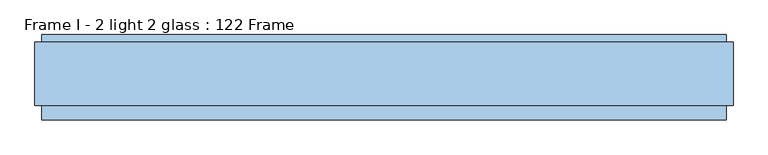
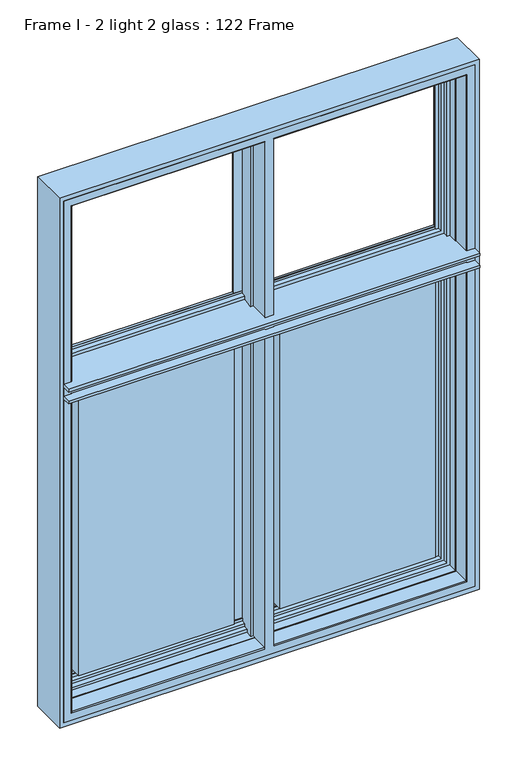
"""IFC4 building model written with IfcOpenShell, lengths in millimetres: window geometry, Frame I - 2 light 2 glass : 122 Frame."""

from ifc_helpers import new_model, si_unit, frame, origin, place, context, project, spatial, polyline, circle_curve, ellipse_curve, outline, extrude, source, transform, mapped, element, save
from ifc_brep_helpers import plane_surface, cylinder_surface, advanced_brep


def frame_i_2_light_2_glass_122_frame_1b23822a(model_context):
    return source(origin(), model_context, "Body", "SolidModel", [
        advanced_brep(
        [(-564.0, 35.0, 836.0), (-564.0, 83.0, 836.0), (-564.0, 83.0, 1789.9000002), (-564.0, 35.0, 1789.9000002), (-564.0, 83.0, 2364.0), (-564.0, 35.0, 2364.0), (-564.0, 35.0, 1834.0999998), (-564.0, 83.0, 1834.0999998), (-564.0, 35.0, 1800.0), (-564.0, 35.0, 1798.0), (-564.0, 83.0, 1798.0), (-564.0, 83.0, 1800.0), (-564.0, 35.0, 1826.0), (-564.0, 35.0, 1824.0), (-564.0, 83.0, 1824.0), (-564.0, 83.0, 1826.0), (-12.0, 35.0, 836.0), (-12.0, 83.0, 836.0), (564.0, 35.0, 836.0), (564.0, 83.0, 836.0), (12.0, 83.0, 836.0), (12.0, 35.0, 836.0), (-12.0, 83.0, 838.0), (-562.0, 83.0, 838.0), (-562.0, 83.0, 1789.9000002), (562.0, 83.0, 838.0), (12.0, 83.0, 838.0), (564.0, 83.0, 1789.9000002), (562.0, 83.0, 1789.9000002), (-12.0, 83.0, 2364.0), (-562.0, 83.0, 1834.0999998), (-562.0, 83.0, 2362.0), (-12.0, 83.0, 2362.0), (564.0, 83.0, 2364.0), (12.0, 83.0, 2364.0), (12.0, 83.0, 2362.0), (562.0, 83.0, 2362.0), (562.0, 83.0, 1834.0999998), (564.0, 83.0, 1834.0999998), (-12.0, 83.0, 1798.0), (-12.0, 83.0, 1800.0), (-12.0, 83.0, 1824.0), (-12.0, 83.0, 1826.0), (564.0, 83.0, 1798.0), (564.0, 83.0, 1800.0), (12.0, 83.0, 1800.0), (12.0, 83.0, 1798.0), (564.0, 83.0, 1824.0), (564.0, 83.0, 1826.0), (12.0, 83.0, 1826.0), (12.0, 83.0, 1824.0), (-567.0, 32.0, 833.0), (-567.0, 32.0, 1789.9000002), (-567.0, 32.0, 2367.0), (-567.0, 32.0, 1834.0999998), (-567.0, 32.0, 1800.0), (-567.0, 32.0, 1798.0), (-567.0, 32.0, 1826.0), (-567.0, 32.0, 1824.0), (-562.0, 111.4, 838.0), (-562.0, 111.4, 1789.9000002), (-562.0, 111.4, 2362.0), (-562.0, 111.4, 1834.0999998), (-12.0, 91.0, 838.0), (-20.2, 91.0, 838.0), (-17.695195, 111.4, 838.0), (562.0, 111.4, 838.0), (17.695195, 111.4, 838.0), (20.2, 91.0, 838.0), (12.0, 91.0, 838.0), (-17.695195, 111.4, 846.0999998), (-553.9000002, 111.4, 846.0999998), (-553.9000002, 111.4, 1789.9000002), (553.9000002, 111.4, 846.0999998), (17.695195, 111.4, 846.0999998), (562.0, 111.4, 1789.9000002), (553.9000002, 111.4, 1789.9000002), (-17.695195, 111.4, 2362.0), (-553.9000002, 111.4, 1834.0999998), (-553.9000002, 111.4, 2353.9000002), (-17.695195, 111.4, 2353.9000002), (562.0, 111.4, 2362.0), (17.695195, 111.4, 2362.0), (17.695195, 111.4, 2353.9000002), (553.9000002, 111.4, 2353.9000002), (553.9000002, 111.4, 1834.0999998), (562.0, 111.4, 1834.0999998), (-553.9000002, 126.0, 846.0999998), (-553.9000002, 126.0, 1789.9000002), (-553.9000002, 126.0, 1834.0999998), (-553.9000002, 126.0, 2353.9000002), (-15.9025404, 126.0, 846.0999998), (553.9000002, 126.0, 846.0999998), (15.9025404, 126.0, 846.0999998), (-15.9025404, 126.0, 853.2798057), (-546.7201943, 126.0, 853.2798057), (-546.7201943, 126.0, 1780.4), (-15.9025404, 126.0, 1780.4), (-15.9025404, 126.0, 1789.9000002), (546.7201943, 126.0, 853.2798057), (15.9025404, 126.0, 853.2798057), (553.9000002, 126.0, 1789.9000002), (15.9025404, 126.0, 1789.9000002), (15.9025404, 126.0, 1780.4), (546.7201943, 126.0, 1780.4), (-15.9025404, 126.0, 2353.9000002), (-15.9025404, 126.0, 1834.0999998), (-15.9025404, 126.0, 1843.6), (-546.7201943, 126.0, 1843.6), (-546.7201943, 126.0, 2346.7201943), (-15.9025404, 126.0, 2346.7201943), (553.9000002, 126.0, 2353.9000002), (15.9025404, 126.0, 2353.9000002), (15.9025404, 126.0, 2346.7201943), (546.7201943, 126.0, 2346.7201943), (546.7201943, 126.0, 1843.6), (15.9025404, 126.0, 1843.6), (15.9025404, 126.0, 1834.0999998), (553.9000002, 126.0, 1834.0999998), (-546.7201943, 140.2372876, 853.2798057), (-546.7201943, 140.2372876, 1780.4), (-546.7201943, 140.2372876, 2346.7201943), (-546.7201943, 140.2372876, 1843.6), (-14.1544213, 140.2372876, 853.2798057), (546.7201943, 140.2372876, 853.2798057), (14.1544213, 140.2372876, 853.2798057), (-14.1544213, 140.2372876, 861.9868914), (-538.0131086, 140.2372876, 861.9868914), (-538.0131086, 140.2372876, 1780.4), (538.0131086, 140.2372876, 861.9868914), (14.1544213, 140.2372876, 861.9868914), (546.7201943, 140.2372876, 1780.4), (538.0131086, 140.2372876, 1780.4), (-14.1544213, 140.2372876, 2346.7201943), (-538.0131086, 140.2372876, 1843.6), (-538.0131086, 140.2372876, 2338.0131086), (-14.1544213, 140.2372876, 2338.0131086), (546.7201943, 140.2372876, 2346.7201943), (14.1544213, 140.2372876, 2346.7201943), (14.1544213, 140.2372876, 2338.0131086), (538.0131086, 140.2372876, 2338.0131086), (538.0131086, 140.2372876, 1843.6), (546.7201943, 140.2372876, 1843.6), (-538.0131086, 143.3877115, 861.9868914), (-538.0131086, 143.3877115, 1774.0131086), (-538.0131086, 141.0, 1774.0131086), (-538.0131086, 141.0, 1780.4), (-538.0131086, 143.3877115, 2338.0131086), (-538.0131086, 141.0, 1843.6), (-538.0131086, 141.0, 1849.9868914), (-538.0131086, 143.3877115, 1849.9868914), (-13.9379874, 142.0, 861.9868914), (-38.4111574, 142.0, 861.9868914), (-37.9868914, 143.3877115, 861.9868914), (538.0131086, 143.3877115, 861.9868914), (37.9868914, 143.3877115, 861.9868914), (38.4111574, 142.0, 861.9868914), (13.9379874, 142.0, 861.9868914), (-541.2576108, 154.0, 858.7423892), (-541.2576108, 154.0, 1777.2576108), (-541.2576108, 154.0, 2341.2576108), (-541.2576108, 154.0, 1846.7423892), (-34.7423892, 154.0, 858.7423892), (541.2576108, 154.0, 858.7423892), (34.7423892, 154.0, 858.7423892), (588.0, 154.0, 2388.0), (588.0, 154.0, 812.0), (-588.0, 154.0, 812.0), (-588.0, 154.0, 2388.0), (-34.7423892, 154.0, 1777.2576108), (541.2576108, 154.0, 1777.2576108), (34.7423892, 154.0, 1777.2576108), (-34.7423892, 154.0, 1846.7423892), (-34.7423892, 154.0, 2341.2576108), (34.7423892, 154.0, 2341.2576108), (34.7423892, 154.0, 1846.7423892), (541.2576108, 154.0, 1846.7423892), (541.2576108, 154.0, 2341.2576108), (-588.0, 7.4, 1826.0), (-588.0, 7.4, 1834.0999998), (-588.0, 32.0, 1834.0999998), (-588.0, 32.0, 2388.0), (-588.0, 86.5, 2388.0), (-588.0, 86.5, 1834.0999998), (-588.0, 90.5, 1834.0999998), (-588.0, 90.5, 2388.0), (-588.0, 90.5, 812.0), (-588.0, 90.5, 1789.9000002), (-588.0, 86.5, 1789.9000002), (-588.0, 86.5, 812.0), (-588.0, 32.0, 812.0), (-588.0, 32.0, 1789.9000002), (-588.0, 7.4, 1789.9000002), (-588.0, 7.4, 1798.0), (-588.0, 32.0, 1798.0), (-588.0, 32.0, 1826.0), (588.0, 90.5, 812.0), (12.0, 90.5, 812.0), (12.0, 86.5, 812.0), (588.0, 86.5, 812.0), (588.0, 32.0, 812.0), (-12.0, 86.5, 812.0), (-12.0, 90.5, 812.0), (-12.0, 90.5, 819.0), (-581.0, 90.5, 819.0), (-581.0, 90.5, 1789.9000002), (581.0, 90.5, 819.0), (12.0, 90.5, 819.0), (588.0, 90.5, 1789.9000002), (581.0, 90.5, 1789.9000002), (-12.0, 90.5, 2388.0), (-581.0, 90.5, 1834.0999998), (-581.0, 90.5, 2381.0), (-12.0, 90.5, 2381.0), (588.0, 90.5, 2388.0), (12.0, 90.5, 2388.0), (12.0, 90.5, 2381.0), (581.0, 90.5, 2381.0), (581.0, 90.5, 1834.0999998), (588.0, 90.5, 1834.0999998), (12.0, 86.5, 819.0), (581.0, 86.5, 819.0), (581.0, 86.5, 1789.9000002), (588.0, 86.5, 1789.9000002), (-581.0, 86.5, 1789.9000002), (-581.0, 86.5, 819.0), (-12.0, 86.5, 819.0), (-12.0, 86.5, 2381.0), (-581.0, 86.5, 2381.0), (-581.0, 86.5, 1834.0999998), (-12.0, 86.5, 2388.0), (581.0, 86.5, 2381.0), (12.0, 86.5, 2381.0), (12.0, 86.5, 2388.0), (588.0, 86.5, 2388.0), (588.0, 86.5, 1834.0999998), (581.0, 86.5, 1834.0999998), (-12.0, 32.0, 833.0), (588.0, 32.0, 1789.9000002), (567.0, 32.0, 1789.9000002), (567.0, 32.0, 833.0), (12.0, 32.0, 833.0), (12.0, 32.0, 1789.9000002), (-12.0, 32.0, 1789.9000002), (-12.0, 32.0, 2367.0), (-12.0, 32.0, 1834.0999998), (12.0, 32.0, 1834.0999998), (12.0, 32.0, 2367.0), (567.0, 32.0, 2367.0), (567.0, 32.0, 1834.0999998), (588.0, 32.0, 1834.0999998), (588.0, 32.0, 2388.0), (-12.0, 32.0, 1800.0), (-12.0, 32.0, 1798.0), (12.0, 32.0, 1798.0), (12.0, 32.0, 1800.0), (567.0, 32.0, 1800.0), (567.0, 32.0, 1798.0), (588.0, 32.0, 1798.0), (588.0, 32.0, 1826.0), (567.0, 32.0, 1826.0), (567.0, 32.0, 1824.0), (12.0, 32.0, 1824.0), (12.0, 32.0, 1826.0), (-12.0, 32.0, 1826.0), (-12.0, 32.0, 1824.0), (-12.0, 91.0, 1789.9000002), (-12.0, 35.0, 2364.0), (-12.0, 91.0, 2362.0), (-12.0, 91.0, 1834.0999998), (564.0, 35.0, 1789.9000002), (564.0, 35.0, 2364.0), (564.0, 35.0, 1834.0999998), (564.0, 35.0, 1798.0), (564.0, 35.0, 1800.0), (564.0, 35.0, 1824.0), (564.0, 35.0, 1826.0), (12.0, 91.0, 1789.9000002), (12.0, 35.0, 2364.0), (12.0, 91.0, 1834.0999998), (12.0, 91.0, 2362.0), (-20.2, 91.0, 1789.9000002), (-20.2, 91.0, 2362.0), (-20.2, 91.0, 1834.0999998), (-14.060772, 141.0, 1780.4), (-14.060772, 141.0, 1774.0131086), (-13.9379874, 142.0, 1774.0131086), (-13.9379874, 142.0, 2338.0131086), (-13.9379874, 142.0, 1849.9868914), (-14.060772, 141.0, 1849.9868914), (-14.060772, 141.0, 1843.6), (13.9379874, 142.0, 1774.0131086), (14.060772, 141.0, 1774.0131086), (14.060772, 141.0, 1780.4), (20.2, 91.0, 1789.9000002), (20.2, 91.0, 2362.0), (20.2, 91.0, 1834.0999998), (14.060772, 141.0, 1843.6), (14.060772, 141.0, 1849.9868914), (13.9379874, 142.0, 1849.9868914), (13.9379874, 142.0, 2338.0131086), (-38.4111574, 142.0, 1774.0131086), (-38.4111574, 142.0, 2338.0131086), (-38.4111574, 142.0, 1849.9868914), (-37.9868914, 143.3877115, 1774.0131086), (-37.9868914, 143.3877115, 2338.0131086), (-37.9868914, 143.3877115, 1849.9868914), (538.0131086, 141.0, 1780.4), (538.0131086, 141.0, 1774.0131086), (538.0131086, 143.3877115, 1774.0131086), (538.0131086, 143.3877115, 2338.0131086), (538.0131086, 143.3877115, 1849.9868914), (538.0131086, 141.0, 1849.9868914), (538.0131086, 141.0, 1843.6), (37.9868914, 143.3877115, 1774.0131086), (38.4111574, 142.0, 1774.0131086), (37.9868914, 143.3877115, 2338.0131086), (38.4111574, 142.0, 2338.0131086), (38.4111574, 142.0, 1849.9868914), (37.9868914, 143.3877115, 1849.9868914), (588.0, 7.4, 1798.0), (588.0, 7.4, 1789.9000002), (588.0, 7.4, 1834.0999998), (588.0, 7.4, 1826.0)],
        [
            (0, 1),
            (1, 2),
            (2, 3),
            (3, 0),
            (4, 5),
            (5, 6),
            (6, 7),
            (7, 4),
            (8, 9),
            (9, 10),
            (10, 11),
            (11, 8),
            (12, 13),
            (13, 14),
            (14, 15),
            (15, 12),
            (0, 16),
            (16, 17),
            (17, 1),
            (18, 19),
            (19, 20),
            (20, 21),
            (21, 18),
            (22, 23),
            (23, 24),
            (24, 2),
            (17, 22),
            (25, 26),
            (26, 20),
            (19, 27),
            (27, 28),
            (28, 25),
            (29, 4),
            (7, 30),
            (30, 31),
            (31, 32),
            (32, 29),
            (33, 34),
            (34, 35),
            (35, 36),
            (36, 37),
            (37, 38),
            (38, 33),
            (10, 39),
            (39, 40),
            (40, 11),
            (14, 41),
            (41, 42),
            (42, 15),
            (43, 44),
            (44, 45),
            (45, 46),
            (46, 43),
            (47, 48),
            (48, 49),
            (49, 50),
            (50, 47),
            (51, 0, ellipse_curve(frame((-567.0, 35.0, 833.0), z_axis=(-0.7071067811865475, 0.0, 0.7071067811865475), x_axis=(0.7071067811865474, 0.0, 0.7071067811865476)), 4.2426407, 3.0)),
            (3, 52, circle_curve(frame((-567.0, 35.0, 1789.9000002), z_axis=(0.0, 0.0, -1.0), x_axis=(0.0, 1.0, 0.0)), 3.0)),
            (52, 51),
            (5, 53, ellipse_curve(frame((-567.0, 35.0, 2367.0), z_axis=(-0.7071067811865475, 0.0, -0.7071067811865475), x_axis=(-0.7071067811865474, 0.0, 0.7071067811865476)), 4.2426407, 3.0)),
            (53, 54),
            (54, 6, circle_curve(frame((-567.0, 35.0, 1834.0999998), z_axis=(0.0, 0.0, 1.0), x_axis=(0.0, 1.0, 0.0)), 3.0)),
            (8, 55, circle_curve(frame((-567.0, 35.0, 1800.0), z_axis=(0.0, 0.0, -1.0), x_axis=(0.0, 1.0, 0.0)), 3.0)),
            (55, 56),
            (56, 9, circle_curve(frame((-567.0, 35.0, 1798.0), z_axis=(0.0, 0.0, 1.0), x_axis=(0.0, 1.0, 0.0)), 3.0)),
            (12, 57, circle_curve(frame((-567.0, 35.0, 1826.0), z_axis=(0.0, 0.0, -1.0), x_axis=(0.0, 1.0, 0.0)), 3.0)),
            (57, 58),
            (58, 13, circle_curve(frame((-567.0, 35.0, 1824.0), z_axis=(0.0, 0.0, 1.0), x_axis=(0.0, 1.0, 0.0)), 3.0)),
            (23, 59),
            (59, 60),
            (60, 24),
            (61, 31),
            (30, 62),
            (62, 61),
            (22, 63),
            (63, 64),
            (64, 65),
            (65, 59),
            (25, 66),
            (66, 67),
            (67, 68),
            (68, 69),
            (69, 26),
            (70, 71),
            (71, 72),
            (72, 60),
            (65, 70),
            (73, 74),
            (74, 67),
            (66, 75),
            (75, 76),
            (76, 73),
            (77, 61),
            (62, 78),
            (78, 79),
            (79, 80),
            (80, 77),
            (81, 82),
            (82, 83),
            (83, 84),
            (84, 85),
            (85, 86),
            (86, 81),
            (71, 87),
            (87, 88),
            (88, 72),
            (89, 90),
            (90, 79),
            (78, 89),
            (70, 91),
            (91, 87),
            (73, 92),
            (92, 93),
            (93, 74),
            (94, 95),
            (95, 96),
            (96, 97),
            (97, 98),
            (98, 88),
            (91, 94),
            (99, 100),
            (100, 93),
            (92, 101),
            (101, 102),
            (102, 103),
            (103, 104),
            (104, 99),
            (105, 90),
            (89, 106),
            (106, 107),
            (107, 108),
            (108, 109),
            (109, 110),
            (110, 105),
            (111, 112),
            (112, 113),
            (113, 114),
            (114, 115),
            (115, 116),
            (116, 117),
            (117, 118),
            (118, 111),
            (95, 119),
            (119, 120),
            (120, 96),
            (121, 109),
            (108, 122),
            (122, 121),
            (94, 123),
            (123, 119),
            (99, 124),
            (124, 125),
            (125, 100),
            (126, 127),
            (127, 128),
            (128, 120),
            (123, 126),
            (129, 130),
            (130, 125),
            (124, 131),
            (131, 132),
            (132, 129),
            (133, 121),
            (122, 134),
            (134, 135),
            (135, 136),
            (136, 133),
            (137, 138),
            (138, 139),
            (139, 140),
            (140, 141),
            (141, 142),
            (142, 137),
            (127, 143),
            (143, 144),
            (144, 145),
            (145, 146),
            (146, 128),
            (147, 135),
            (134, 148),
            (148, 149),
            (149, 150),
            (150, 147),
            (126, 151),
            (151, 152),
            (152, 153),
            (153, 143),
            (129, 154),
            (154, 155),
            (155, 156),
            (156, 157),
            (157, 130),
            (143, 158),
            (158, 159),
            (159, 144),
            (160, 147),
            (150, 161),
            (161, 160),
            (153, 162),
            (162, 158),
            (154, 163),
            (163, 164),
            (164, 155),
            (165, 166),
            (166, 167),
            (167, 168),
            (168, 165),
            (162, 169),
            (169, 159),
            (163, 170),
            (170, 171),
            (171, 164),
            (161, 172),
            (172, 173),
            (173, 160),
            (174, 175),
            (175, 176),
            (176, 177),
            (177, 174),
            (178, 179),
            (179, 180),
            (180, 181),
            (181, 182),
            (182, 183),
            (183, 184),
            (184, 185),
            (185, 168),
            (167, 186),
            (186, 187),
            (187, 188),
            (188, 189),
            (189, 190),
            (190, 191),
            (191, 192),
            (192, 193),
            (193, 194),
            (194, 195),
            (195, 178),
            (166, 196),
            (196, 197),
            (197, 198),
            (198, 199),
            (199, 200),
            (200, 190),
            (189, 201),
            (201, 202),
            (202, 186),
            (203, 204),
            (204, 205),
            (205, 187),
            (202, 203),
            (206, 207),
            (207, 197),
            (196, 208),
            (208, 209),
            (209, 206),
            (210, 185),
            (184, 211),
            (211, 212),
            (212, 213),
            (213, 210),
            (214, 215),
            (215, 216),
            (216, 217),
            (217, 218),
            (218, 219),
            (219, 214),
            (198, 220),
            (220, 221),
            (221, 222),
            (222, 223),
            (223, 199),
            (188, 224),
            (224, 225),
            (225, 226),
            (226, 201),
            (227, 228),
            (228, 229),
            (229, 183),
            (182, 230),
            (230, 227),
            (231, 232),
            (232, 233),
            (233, 234),
            (234, 235),
            (235, 236),
            (236, 231),
            (237, 51),
            (52, 191),
            (200, 238),
            (238, 239),
            (239, 240),
            (240, 241),
            (241, 242),
            (242, 243),
            (243, 237),
            (53, 244),
            (244, 245),
            (245, 246),
            (246, 247),
            (247, 248),
            (248, 249),
            (249, 250),
            (250, 251),
            (251, 181),
            (180, 54),
            (55, 252),
            (252, 253),
            (253, 254),
            (254, 255),
            (255, 256),
            (256, 257),
            (257, 258),
            (258, 259),
            (259, 260),
            (260, 261),
            (261, 262),
            (262, 263),
            (263, 264),
            (264, 265),
            (265, 58),
            (57, 195),
            (194, 56),
            (237, 16, circle_curve(frame((-12.0, 35.0, 833.0), z_axis=(-1.0, 0.0, 0.0), x_axis=(0.0, 1.0, 0.0)), 3.0)),
            (240, 18, ellipse_curve(frame((567.0, 35.0, 833.0), z_axis=(-0.7071067811865475, 0.0, -0.7071067811865475), x_axis=(-0.7071067811865476, 0.0, 0.7071067811865474)), 4.2426407, 3.0)),
            (21, 241, circle_curve(frame((12.0, 35.0, 833.0), z_axis=(1.0, 0.0, 0.0), x_axis=(0.0, 1.0, 0.0)), 3.0)),
            (243, 266),
            (266, 63),
            (226, 203),
            (267, 29),
            (32, 268),
            (268, 269),
            (269, 245),
            (244, 267, circle_curve(frame((-12.0, 35.0, 2367.0), z_axis=(1.0, 0.0, 0.0), x_axis=(0.0, 1.0, 0.0)), 3.0)),
            (230, 210),
            (213, 227),
            (252, 40),
            (39, 253),
            (264, 42),
            (41, 265),
            (18, 270),
            (270, 27),
            (271, 33),
            (38, 272),
            (272, 271),
            (273, 274),
            (274, 44),
            (43, 273),
            (275, 276),
            (276, 48),
            (47, 275),
            (69, 277),
            (277, 242),
            (207, 220),
            (34, 278),
            (278, 247, circle_curve(frame((12.0, 35.0, 2367.0), z_axis=(-1.0, 0.0, 0.0), x_axis=(0.0, 1.0, 0.0)), 3.0)),
            (246, 279),
            (279, 280),
            (280, 35),
            (215, 233),
            (232, 216),
            (254, 46),
            (45, 255),
            (262, 50),
            (49, 263),
            (266, 281),
            (281, 64),
            (268, 282),
            (282, 283),
            (283, 269),
            (281, 98),
            (97, 284),
            (284, 285),
            (285, 286),
            (286, 151),
            (282, 77),
            (80, 105),
            (110, 133),
            (136, 287),
            (287, 288),
            (288, 289),
            (289, 290),
            (290, 107),
            (106, 283),
            (28, 75),
            (36, 81),
            (86, 37),
            (157, 291),
            (291, 292),
            (292, 293),
            (293, 103),
            (102, 294),
            (294, 68),
            (82, 295),
            (295, 296),
            (296, 117),
            (116, 297),
            (297, 298),
            (298, 299),
            (299, 300),
            (300, 139),
            (138, 113),
            (112, 83),
            (294, 277),
            (295, 280),
            (279, 296),
            (76, 101),
            (84, 111),
            (118, 85),
            (104, 131),
            (114, 137),
            (142, 115),
            (286, 301),
            (301, 152),
            (287, 302),
            (302, 303),
            (303, 288),
            (301, 304),
            (304, 169),
            (302, 305),
            (305, 173),
            (172, 306),
            (306, 303),
            (132, 307),
            (307, 308),
            (308, 309),
            (309, 154),
            (140, 310),
            (310, 311),
            (311, 312),
            (312, 313),
            (313, 141),
            (171, 314),
            (314, 315),
            (315, 156),
            (316, 317),
            (317, 318),
            (318, 319),
            (319, 175),
            (174, 316),
            (315, 291),
            (317, 300),
            (299, 318),
            (309, 170),
            (310, 177),
            (176, 311),
            (320, 321),
            (321, 238),
            (223, 208),
            (165, 214),
            (219, 235),
            (234, 251),
            (250, 322),
            (322, 323),
            (323, 259),
            (258, 320),
            (239, 270, circle_curve(frame((567.0, 35.0, 1789.9000002), z_axis=(0.0, 0.0, -1.0), x_axis=(0.0, 1.0, 0.0)), 3.0)),
            (248, 271, ellipse_curve(frame((567.0, 35.0, 2367.0), z_axis=(0.7071067811865475, 0.0, -0.7071067811865475), x_axis=(-0.7071067811865474, 0.0, -0.7071067811865476)), 4.2426407, 3.0)),
            (272, 249, circle_curve(frame((567.0, 35.0, 1834.0999998), z_axis=(0.0, 0.0, 1.0), x_axis=(0.0, 1.0, 0.0)), 3.0)),
            (273, 257, circle_curve(frame((567.0, 35.0, 1798.0), z_axis=(0.0, 0.0, 1.0), x_axis=(0.0, 1.0, 0.0)), 3.0)),
            (256, 274, circle_curve(frame((567.0, 35.0, 1800.0), z_axis=(0.0, 0.0, -1.0), x_axis=(0.0, 1.0, 0.0)), 3.0)),
            (275, 261, circle_curve(frame((567.0, 35.0, 1824.0), z_axis=(0.0, 0.0, 1.0), x_axis=(0.0, 1.0, 0.0)), 3.0)),
            (260, 276, circle_curve(frame((567.0, 35.0, 1826.0), z_axis=(0.0, 0.0, -1.0), x_axis=(0.0, 1.0, 0.0)), 3.0)),
            (204, 225),
            (224, 205),
            (228, 212),
            (211, 229),
            (206, 221),
            (209, 222),
            (217, 231),
            (236, 218),
            (267, 5),
            (271, 278),
            (147, 305),
            (316, 310),
            (304, 144),
            (309, 314),
            (308, 292),
            (285, 145),
            (284, 146),
            (307, 293),
            (321, 192),
            (193, 320),
            (323, 178),
            (179, 322),
            (290, 148),
            (313, 297),
            (289, 149),
            (312, 298),
            (306, 150),
            (311, 319),
        ],
        [
            plane_surface(frame((-564.0, 35.0, 2364.0), z_axis=(1.0, 0.0, 0.0), x_axis=(0.0, 0.0, -1.0))),
            plane_surface(frame((-564.0, 35.0, 836.0), z_axis=(0.0, 0.0, 1.0), x_axis=(1.0, 0.0, 0.0))),
            plane_surface(frame((564.0, 83.0, 2364.0), z_axis=(0.0, -1.0, 0.0), x_axis=(-1.0, 0.0, 0.0))),
            cylinder_surface(frame((-567.0, 35.0, 2388.0), z_axis=(0.0, 0.0, 1.0), x_axis=(0.0, 1.0, 0.0)), 3.0),
            plane_surface(frame((-562.0, 83.0, 2362.0), z_axis=(1.0, 0.0, 0.0), x_axis=(0.0, 0.0, -1.0))),
            plane_surface(frame((-562.0, 83.0, 838.0), z_axis=(0.0, 0.0, 1.0), x_axis=(1.0, 0.0, 0.0))),
            plane_surface(frame((562.0, 111.4, 2362.0), z_axis=(0.0, -1.0, 0.0), x_axis=(-1.0, 0.0, 0.0))),
            plane_surface(frame((-553.9000002, 111.4, 2353.9000002), z_axis=(1.0, 0.0, 0.0), x_axis=(0.0, 0.0, -1.0))),
            plane_surface(frame((-553.9000002, 111.4, 846.0999998), z_axis=(0.0, 0.0, 1.0), x_axis=(1.0, 0.0, 0.0))),
            plane_surface(frame((553.9000002, 126.0, 2353.9000002), z_axis=(0.0, -1.0, 0.0), x_axis=(-1.0, 0.0, 0.0))),
            plane_surface(frame((-546.7201943, 126.0, 2346.7201943), z_axis=(1.0, 0.0, 0.0), x_axis=(0.0, 0.0, -1.0))),
            plane_surface(frame((-546.7201943, 126.0, 853.2798057), z_axis=(0.0, 0.0, 1.0), x_axis=(1.0, 0.0, 0.0))),
            plane_surface(frame((546.7201943, 140.2372876, 2346.7201943), z_axis=(0.0, -1.0, 0.0), x_axis=(-1.0, 0.0, 0.0))),
            plane_surface(frame((-538.0131086, 140.2372876, 2338.0131086), z_axis=(1.0, 0.0, 0.0), x_axis=(0.0, 0.0, -1.0))),
            plane_surface(frame((-538.0131086, 140.2372876, 861.9868914), z_axis=(0.0, 0.0, 1.0), x_axis=(1.0, 0.0, 0.0))),
            plane_surface(frame((-538.0131086, 143.3877115, 2338.0131086), z_axis=(0.9563047559629358, 0.29237170472306273, 0.0), x_axis=(0.0, 0.0, -1.0))),
            plane_surface(frame((-538.0131086, 143.3877115, 861.9868914), z_axis=(0.0, 0.29237170472306273, 0.9563047559629358), x_axis=(1.0, 0.0, 0.0))),
            plane_surface(frame((541.2576108, 154.0, 2341.2576108), z_axis=(0.0, 1.0, 0.0), x_axis=(-1.0, 0.0, 0.0))),
            plane_surface(frame((-588.0, 154.0, 2388.0), z_axis=(-1.0, 0.0, 0.0), x_axis=(0.0, 0.0, -1.0))),
            plane_surface(frame((-588.0, 154.0, 812.0), z_axis=(0.0, 0.0, -1.0), x_axis=(1.0, 0.0, 0.0))),
            plane_surface(frame((588.0, 90.5, 2388.0), z_axis=(0.0, -1.0, 0.0), x_axis=(-1.0, 0.0, 0.0))),
            plane_surface(frame((581.0, 86.5, 2381.0), z_axis=(0.0, 1.0, 0.0), x_axis=(-1.0, 0.0, 0.0))),
            plane_surface(frame((588.0, 32.0, 2388.0), z_axis=(0.0, -1.0, 0.0), x_axis=(-1.0, 0.0, 0.0))),
            cylinder_surface(frame((-588.0, 35.0, 833.0), z_axis=(-1.0, 0.0, 0.0), x_axis=(0.0, 1.0, 0.0)), 3.0),
            plane_surface(frame((-12.0, 91.0, 2388.0), z_axis=(-1.0, 0.0, 0.0), x_axis=(0.0, 0.0, -1.0))),
            plane_surface(frame((564.0, 35.0, 836.0), z_axis=(-1.0, 0.0, 0.0), x_axis=(0.0, 0.0, 1.0))),
            plane_surface(frame((12.0, 32.0, 2388.0), z_axis=(1.0, 0.0, 0.0), x_axis=(0.0, 0.0, -1.0))),
            plane_surface(frame((-20.2, 91.0, 2388.0), z_axis=(0.0, -1.0, 0.0), x_axis=(0.0, 0.0, -1.0))),
            plane_surface(frame((-13.9379874, 142.0, 2388.0), z_axis=(-0.9925461516413188, 0.12186934340517401, 0.0), x_axis=(0.0, 0.0, -1.0))),
            plane_surface(frame((562.0, 83.0, 838.0), z_axis=(-1.0, 0.0, 0.0), x_axis=(0.0, 0.0, 1.0))),
            plane_surface(frame((20.2, 91.0, 2388.0), z_axis=(0.9925461516413152, 0.12186934340520379, 0.0), x_axis=(0.0, 0.0, -1.0))),
            plane_surface(frame((12.0, 91.0, 2388.0), z_axis=(0.0, -1.0, 0.0), x_axis=(0.0, 0.0, -1.0))),
            plane_surface(frame((553.9000002, 111.4, 846.0999998), z_axis=(-1.0, 0.0, 0.0), x_axis=(0.0, 0.0, 1.0))),
            plane_surface(frame((546.7201943, 126.0, 853.2798057), z_axis=(-1.0, 0.0, 0.0), x_axis=(0.0, 0.0, 1.0))),
            plane_surface(frame((-38.4111574, 142.0, 2388.0), z_axis=(0.0, -1.0, 0.0), x_axis=(0.0, 0.0, -1.0))),
            plane_surface(frame((-34.7423892, 154.0, 2388.0), z_axis=(-0.9563047559630359, 0.2923717047227355, 0.0), x_axis=(0.0, 0.0, -1.0))),
            plane_surface(frame((538.0131086, 140.2372876, 861.9868914), z_axis=(-1.0, 0.0, 0.0), x_axis=(0.0, 0.0, 1.0))),
            plane_surface(frame((38.4111574, 142.0, 2388.0), z_axis=(0.956304755963034, 0.2923717047227417, 0.0), x_axis=(0.0, 0.0, -1.0))),
            plane_surface(frame((13.9379874, 142.0, 2388.0), z_axis=(0.0, -1.0, 0.0), x_axis=(0.0, 0.0, -1.0))),
            plane_surface(frame((538.0131086, 143.3877115, 861.9868914), z_axis=(-0.9563047559629358, 0.29237170472306273, 0.0), x_axis=(0.0, 0.0, 1.0))),
            plane_surface(frame((588.0, 154.0, 812.0), z_axis=(1.0, 0.0, 0.0), x_axis=(0.0, 0.0, 1.0))),
            cylinder_surface(frame((567.0, 35.0, 812.0), z_axis=(0.0, 0.0, -1.0), x_axis=(0.0, 1.0, 0.0)), 3.0),
            plane_surface(frame((-581.0, 90.5, 2381.0), z_axis=(-1.0, 0.0, 0.0), x_axis=(0.0, 0.0, -1.0))),
            plane_surface(frame((-581.0, 90.5, 819.0), z_axis=(0.0, 0.0, -1.0), x_axis=(1.0, 0.0, 0.0))),
            plane_surface(frame((581.0, 90.5, 819.0), z_axis=(1.0, 0.0, 0.0), x_axis=(0.0, 0.0, 1.0))),
            plane_surface(frame((564.0, 35.0, 2364.0), z_axis=(0.0, 0.0, -1.0), x_axis=(-1.0, 0.0, 0.0))),
            plane_surface(frame((562.0, 83.0, 2362.0), z_axis=(0.0, 0.0, -1.0), x_axis=(-1.0, 0.0, 0.0))),
            plane_surface(frame((553.9000002, 111.4, 2353.9000002), z_axis=(0.0, 0.0, -1.0), x_axis=(-1.0, 0.0, 0.0))),
            plane_surface(frame((546.7201943, 126.0, 2346.7201943), z_axis=(0.0, 0.0, -1.0), x_axis=(-1.0, 0.0, 0.0))),
            plane_surface(frame((538.0131086, 140.2372876, 2338.0131086), z_axis=(0.0, 0.0, -1.0), x_axis=(-1.0, 0.0, 0.0))),
            plane_surface(frame((538.0131086, 143.3877115, 2338.0131086), z_axis=(0.0, 0.29237170472306273, -0.9563047559629358), x_axis=(-1.0, 0.0, 0.0))),
            plane_surface(frame((588.0, 154.0, 2388.0), z_axis=(0.0, 0.0, 1.0), x_axis=(-1.0, 0.0, 0.0))),
            cylinder_surface(frame((588.0, 35.0, 2367.0), z_axis=(1.0, 0.0, 0.0), x_axis=(0.0, 1.0, 0.0)), 3.0),
            plane_surface(frame((581.0, 90.5, 2381.0), z_axis=(0.0, 0.0, 1.0), x_axis=(-1.0, 0.0, 0.0))),
            plane_surface(frame((-588.0, 154.0, 1777.2576108), z_axis=(0.0, 0.29237170472164115, -0.9563047559633705), x_axis=(1.0, 0.0, 0.0))),
            plane_surface(frame((-588.0, 143.3877115, 1774.0131086), z_axis=(0.0, 0.0, -1.0), x_axis=(1.0, 0.0, 0.0))),
            plane_surface(frame((-588.0, 141.0, 1774.0131086), z_axis=(0.0, -1.0, 0.0), x_axis=(1.0, 0.0, 0.0))),
            plane_surface(frame((-588.0, 141.0, 1780.4), z_axis=(0.0, 0.0, -1.0), x_axis=(1.0, 0.0, 0.0))),
            plane_surface(frame((-588.0, 126.0, 1789.9000002), z_axis=(0.0, 0.0, -1.0), x_axis=(1.0, 0.0, 0.0))),
            plane_surface(frame((-588.0, 7.4, 1798.0), z_axis=(0.0, 0.0, 1.0), x_axis=(1.0, 0.0, 0.0))),
            plane_surface(frame((-588.0, 83.0, 1800.0), z_axis=(0.0, 0.0, -1.0), x_axis=(1.0, 0.0, 0.0))),
            plane_surface(frame((-588.0, 32.0, 1824.0), z_axis=(0.0, 0.0, 1.0), x_axis=(1.0, 0.0, 0.0))),
            plane_surface(frame((-588.0, 83.0, 1826.0), z_axis=(0.0, 0.0, -1.0), x_axis=(1.0, 0.0, 0.0))),
            plane_surface(frame((-588.0, 7.4, 1834.0999998), z_axis=(0.0, 0.0, 1.0), x_axis=(1.0, 0.0, 0.0))),
            plane_surface(frame((-588.0, 126.0, 1843.6), z_axis=(0.0, 0.0, 1.0), x_axis=(1.0, 0.0, 0.0))),
            plane_surface(frame((-588.0, 141.0, 1843.6), z_axis=(0.0, -1.0, 0.0), x_axis=(1.0, 0.0, 0.0))),
            plane_surface(frame((-588.0, 141.0, 1849.9868914), z_axis=(0.0, 0.0, 1.0), x_axis=(1.0, 0.0, 0.0))),
            plane_surface(frame((-588.0, 143.3877115, 1849.9868914), z_axis=(0.0, 0.292371704721663, 0.9563047559633638), x_axis=(1.0, 0.0, 0.0))),
            plane_surface(frame((-588.0, 7.4, 1789.9000002), z_axis=(0.0, -1.0, 0.0), x_axis=(1.0, 0.0, 0.0))),
            plane_surface(frame((-588.0, 7.4, 1826.0), z_axis=(0.0, -1.0, 0.0), x_axis=(1.0, 0.0, 0.0))),
        ],
        [
            (0, [[1, 2, 3, 4]]),
            (0, [[5, 6, 7, 8]]),
            (0, [[9, 10, 11, 12]]),
            (0, [[13, 14, 15, 16]]),
            (1, [[-1, 17, 18, 19]]),
            (1, [[20, 21, 22, 23]]),
            (2, [[24, 25, 26, -2, -19, 27]]),
            (2, [[28, 29, -21, 30, 31, 32]]),
            (2, [[33, -8, 34, 35, 36, 37]]),
            (2, [[38, 39, 40, 41, 42, 43]]),
            (2, [[-11, 44, 45, 46]]),
            (2, [[-15, 47, 48, 49]]),
            (2, [[50, 51, 52, 53]]),
            (2, [[54, 55, 56, 57]]),
            (3, [[58, -4, 59, 60]]),
            (3, [[61, 62, 63, -6]]),
            (3, [[-9, 64, 65, 66]]),
            (3, [[-13, 67, 68, 69]]),
            (4, [[70, 71, 72, -25]]),
            (4, [[73, -35, 74, 75]]),
            (5, [[-70, -24, 76, 77, 78, 79]]),
            (5, [[80, 81, 82, 83, 84, -28]]),
            (6, [[85, 86, 87, -71, -79, 88]]),
            (6, [[89, 90, -81, 91, 92, 93]]),
            (6, [[94, -75, 95, 96, 97, 98]]),
            (6, [[99, 100, 101, 102, 103, 104]]),
            (7, [[105, 106, 107, -86]]),
            (7, [[108, 109, -96, 110]]),
            (8, [[-105, -85, 111, 112]]),
            (8, [[113, 114, 115, -89]]),
            (9, [[116, 117, 118, 119, 120, -106, -112, 121]]),
            (9, [[122, 123, -114, 124, 125, 126, 127, 128]]),
            (9, [[129, -108, 130, 131, 132, 133, 134, 135]]),
            (9, [[136, 137, 138, 139, 140, 141, 142, 143]]),
            (10, [[144, 145, 146, -117]]),
            (10, [[147, -133, 148, 149]]),
            (11, [[-144, -116, 150, 151]]),
            (11, [[152, 153, 154, -122]]),
            (12, [[155, 156, 157, -145, -151, 158]]),
            (12, [[159, 160, -153, 161, 162, 163]]),
            (12, [[164, -149, 165, 166, 167, 168]]),
            (12, [[169, 170, 171, 172, 173, 174]]),
            (13, [[175, 176, 177, 178, 179, -156]]),
            (13, [[180, -166, 181, 182, 183, 184]]),
            (14, [[-175, -155, 185, 186, 187, 188]]),
            (14, [[189, 190, 191, 192, 193, -159]]),
            (15, [[194, 195, 196, -176]]),
            (15, [[197, -184, 198, 199]]),
            (16, [[-194, -188, 200, 201]]),
            (16, [[202, 203, 204, -190]]),
            (17, [[205, 206, 207, 208], [-201, 209, 210, -195], [-203, 211, 212, 213], [-199, 214, 215, 216], [217, 218, 219, 220]]),
            (18, [[221, 222, 223, 224, 225, 226, 227, 228, -207, 229, 230, 231, 232, 233, 234, 235, 236, 237, 238, 239]]),
            (19, [[-229, -206, 240, 241, 242, 243, 244, 245, -233, 246, 247, 248]]),
            (20, [[249, 250, 251, -230, -248, 252]]),
            (20, [[253, 254, -241, 255, 256, 257]]),
            (20, [[258, -227, 259, 260, 261, 262]]),
            (20, [[263, 264, 265, 266, 267, 268]]),
            (21, [[-243, 269, 270, 271, 272, 273]]),
            (21, [[-246, -232, 274, 275, 276, 277]]),
            (21, [[278, 279, 280, -225, 281, 282]]),
            (21, [[283, 284, 285, 286, 287, 288]]),
            (22, [[289, -60, 290, -234, -245, 291, 292, 293, 294, 295, 296, 297]]),
            (22, [[298, 299, 300, 301, 302, 303, 304, 305, 306, -223, 307, -62]]),
            (22, [[-65, 308, 309, 310, 311, 312, 313, 314, 315, 316, 317, 318, 319, 320, 321, 322, -68, 323, -238, 324]]),
            (23, [[-58, -289, 325, -17]]),
            (23, [[326, -23, 327, -294]]),
            (24, [[-18, -325, -297, 328, 329, -76, -27]]),
            (24, [[-247, -277, 330, -252]]),
            (24, [[331, -37, 332, 333, 334, -299, 335]]),
            (24, [[336, -262, 337, -282]]),
            (24, [[-309, 338, -45, 339]]),
            (24, [[-321, 340, -48, 341]]),
            (25, [[-20, 342, 343, -30]]),
            (25, [[344, -43, 345, 346]]),
            (25, [[347, 348, -50, 349]]),
            (25, [[350, 351, -54, 352]]),
            (26, [[-22, -29, -84, 353, 354, -295, -327]]),
            (26, [[-242, -254, 355, -269]]),
            (26, [[356, 357, -301, 358, 359, 360, -39]]),
            (26, [[361, -284, 362, -264]]),
            (26, [[-311, 363, -52, 364]]),
            (26, [[-319, 365, -56, 366]]),
            (27, [[-77, -329, 367, 368]]),
            (27, [[369, 370, 371, -333]]),
            (28, [[-78, -368, 372, -119, 373, 374, 375, 376, -185, -158, -150, -121, -111, -88]]),
            (28, [[377, -98, 378, -135, 379, -168, 380, 381, 382, 383, 384, -131, 385, -370]]),
            (29, [[-80, -32, 386, -91]]),
            (29, [[387, -104, 388, -41]]),
            (30, [[-82, -90, -115, -123, -154, -160, -193, 389, 390, 391, 392, -126, 393, 394]]),
            (30, [[395, 396, 397, -141, 398, 399, 400, 401, 402, -170, 403, -137, 404, -100]]),
            (31, [[-83, -394, 405, -353]]),
            (31, [[406, -359, 407, -396]]),
            (32, [[-124, -113, -93, 408]]),
            (32, [[409, -143, 410, -102]]),
            (33, [[-152, -128, 411, -161]]),
            (33, [[412, -174, 413, -139]]),
            (34, [[-186, -376, 414, 415]]),
            (34, [[416, 417, 418, -381]]),
            (35, [[-187, -415, 419, 420, -209, -200]]),
            (35, [[421, 422, -215, 423, 424, -417]]),
            (36, [[-189, -163, 425, 426, 427, 428]]),
            (36, [[429, 430, 431, 432, 433, -172]]),
            (37, [[-191, -204, -213, 434, 435, 436]]),
            (37, [[437, 438, 439, 440, -217, 441]]),
            (38, [[-192, -436, 442, -389]]),
            (38, [[443, -401, 444, -438]]),
            (39, [[-202, -428, 445, -211]]),
            (39, [[446, -219, 447, -430]]),
            (40, [[448, 449, -291, -244, -273, 450, -255, -240, -205, 451, -268, 452, -286, 453, -305, 454, 455, 456, -315, 457]]),
            (41, [[-326, -293, 458, -342]]),
            (41, [[459, -346, 460, -303]]),
            (41, [[-347, 461, -313, 462]]),
            (41, [[-350, 463, -317, 464]]),
            (42, [[465, -275, 466, -250]]),
            (42, [[467, -260, 468, -279]]),
            (43, [[-465, -249, -330, -276]]),
            (43, [[469, -270, -355, -253]]),
            (44, [[-469, -257, 470, -271]]),
            (44, [[471, -288, 472, -266]]),
            (45, [[-5, -33, -331, 473]]),
            (45, [[-344, 474, -356, -38]]),
            (46, [[-73, -94, -377, -369, -332, -36]]),
            (46, [[-387, -40, -360, -406, -395, -99]]),
            (47, [[-109, -129, -378, -97]]),
            (47, [[-409, -101, -404, -136]]),
            (48, [[-147, -164, -379, -134]]),
            (48, [[-412, -138, -403, -169]]),
            (49, [[-180, 475, -421, -416, -380, -167]]),
            (49, [[-429, -171, -402, -443, -437, 476]]),
            (50, [[-197, -216, -422, -475]]),
            (50, [[-446, -476, -441, -220]]),
            (51, [[-228, -258, -336, -281, -224, -306, -453, -285, -361, -263, -451, -208]]),
            (52, [[-61, -473, -335, -298]]),
            (52, [[-459, -302, -357, -474]]),
            (53, [[-467, -278, -337, -261]]),
            (53, [[-471, -265, -362, -283]]),
            (54, [[-210, -420, 477, -196]]),
            (54, [[-212, -445, 478, -434]]),
            (55, [[-478, -427, 479, -390, -442, -435]]),
            (55, [[-477, -419, -414, -375, 480, -177]]),
            (56, [[-480, -374, 481, -178]]),
            (56, [[-479, -426, 482, -391]]),
            (57, [[-481, -373, -118, -146, -157, -179]]),
            (57, [[-482, -425, -162, -411, -127, -392]]),
            (58, [[-231, -251, -466, -274]]),
            (58, [[-450, -272, -470, -256]]),
            (58, [[483, -235, -290, -59, -3, -26, -72, -87, -107, -120, -372, -367, -328, -296, -354, -405, -393, -125, -408, -92, -386, -31, -343, -458, -292, -449]]),
            (59, [[484, -457, -314, -461, -349, -53, -363, -310, -339, -44, -10, -66, -324, -237]]),
            (60, [[-308, -64, -12, -46, -338]]),
            (60, [[-312, -364, -51, -348, -462]]),
            (61, [[-318, -463, -352, -57, -365]]),
            (61, [[-322, -341, -47, -14, -69]]),
            (62, [[485, -239, -323, -67, -16, -49, -340, -320, -366, -55, -351, -464, -316, -456]]),
            (63, [[-226, -280, -468, -259]]),
            (63, [[-452, -267, -472, -287]]),
            (63, [[486, -454, -304, -460, -345, -42, -388, -103, -410, -142, -397, -407, -358, -300, -334, -371, -385, -130, -110, -95, -74, -34, -7, -63, -307, -222]]),
            (64, [[-132, -384, 487, -181, -165, -148]]),
            (64, [[-140, -413, -173, -433, 488, -398]]),
            (65, [[-487, -383, 489, -182]]),
            (65, [[-488, -432, 490, -399]]),
            (66, [[-489, -382, -418, -424, 491, -183]]),
            (66, [[-490, -431, 492, -439, -444, -400]]),
            (67, [[-218, -440, -492, -447]]),
            (67, [[-214, -198, -491, -423]]),
            (68, [[-236, -483, -448, -484]]),
            (69, [[-221, -485, -455, -486]]),
        ],
    ),
        extrude(outline(polyline([(2400.0, -600.0), (800.0, -600.0), (800.0, 600.0), (2400.0, 600.0), (2400.0, -600.0)]), holes=[polyline([(2388.0, 588.0), (812.0, 588.0), (812.0, -588.0), (2388.0, -588.0), (2388.0, 588.0)])]), frame((0.0, 32.0, 0.0), z_axis=(0.0, 1.0, 0.0), x_axis=(0.0, 0.0, 1.0)), (0.0, 0.0, 1.0), 109.0),
        extrude(outline(polyline([(-510.0, 141.0), (-66.0, 141.0), (-66.0, 93.0), (-510.0, 93.0), (-510.0, 141.0)])), frame((0.0, 0.0, 890.0), z_axis=(0.0, 0.0, 1.0), x_axis=(1.0, 0.0, 0.0)), (0.0, 0.0, 1.0), 856.0),
        extrude(outline(polyline([(66.0, 141.0), (510.0, 141.0), (510.0, 93.0), (66.0, 93.0), (66.0, 141.0)])), frame((0.0, 0.0, 890.0), z_axis=(0.0, 0.0, 1.0), x_axis=(1.0, 0.0, 0.0)), (0.0, 0.0, 1.0), 856.0),
    ])


if __name__ == "__main__":
    model = new_model("IFC4")
    model_context = context("Model", 3, world=origin())
    ifc_project = project(units=[si_unit("LENGTHUNIT", "METRE", prefix="MILLI")], contexts=[model_context])
    site = spatial("IfcSite", under=ifc_project)
    building = spatial("IfcBuilding", under=site)
    placement = place(None, origin())
    frame_i_2_light_2_glass_122_frame_shape = frame_i_2_light_2_glass_122_frame_1b23822a(model_context)
    element("IfcWindow", 1, ObjectType="Frame I - 2 light 2 glass : 122 Frame", at=placement, inside=building, context=model_context, shape_type="MappedRepresentation", body=[
        mapped(frame_i_2_light_2_glass_122_frame_shape, transform((0.0, 0.0, 0.0), x_axis=(1.0, 0.0, 0.0), y_axis=(0.0, 1.0, 0.0), z_axis=(0.0, 0.0, 1.0))),
    ])
    save(model, "model.ifc")
